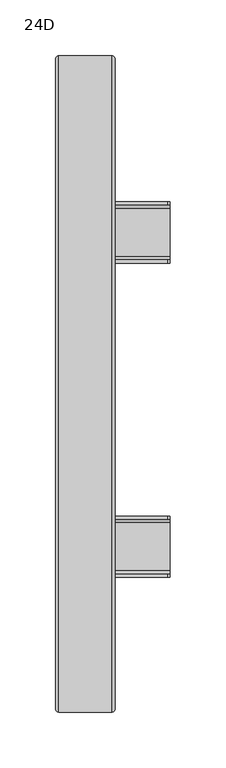
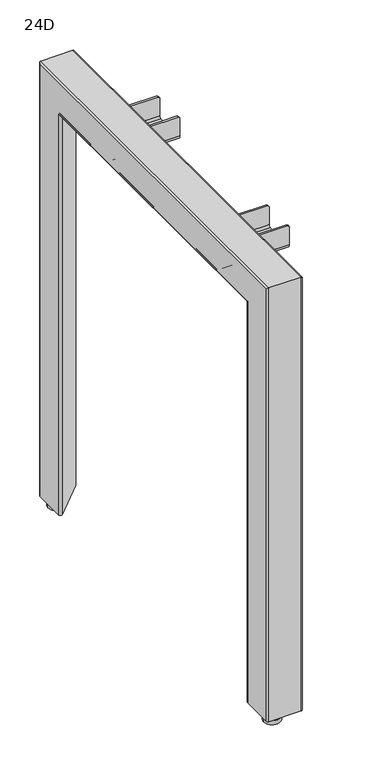
"""IFC4 building model written with IfcOpenShell, lengths in millimetres: furniture geometry, 24D."""

from ifc_helpers import new_model, si_unit, point, frame, frame_2d, origin, origin_with_axes, place, context, project, spatial, polyline, circle_curve, ellipse_curve, trimmed, segment, composite_curve, outline, extrude, source, transform, mapped, element, save
from ifc_brep_helpers import plane_surface, cylinder_surface, revolved_surface, advanced_brep


def furniture_24d_1ff21c70(model_context):
    return source(origin(), model_context, "Body", "SolidModel", [
        advanced_brep(
        [(76.0, 112.0202, 652.1138945), (76.0, 118.0202, 646.1138945), (76.0, 161.0202, 646.1138945), (76.0, 167.0202, 652.1138945), (76.0, 167.0202, 680.3638945), (76.0, 164.0202, 680.3638945), (76.0, 164.0202, 652.1138945), (76.0, 161.0202, 649.1138945), (76.0, 118.0202, 649.1138945), (76.0, 115.0202, 652.1138945), (76.0, 115.0202, 680.3638945), (76.0, 112.0202, 680.3638945), (-21.8908117, 115.0202, 690.1138945), (-21.8908117, 115.0202, 652.1138945), (-21.8908117, 118.0202, 649.1138945), (-21.8908117, 161.0202, 649.1138945), (-21.8908117, 164.0202, 652.1138945), (-21.8908117, 164.0202, 690.1138945), (-21.8908117, 167.0202, 690.1138945), (-21.8908117, 167.0202, 652.1138945), (-21.8908117, 161.0202, 646.1138945), (-21.8908117, 118.0202, 646.1138945), (-21.8908117, 112.0202, 652.1138945), (-21.8908117, 112.0202, 690.1138945), (24.5, 112.0202, 690.1138945), (24.5, 115.0202, 690.1138945), (74.0, 112.0202, 682.3638945), (26.5, 112.0202, 682.3638945), (26.5, 112.0202, 688.1138945), (24.5, 167.0202, 690.1138945), (26.5, 167.0202, 688.1138945), (26.5, 167.0202, 682.3638945), (74.0, 167.0202, 682.3638945), (24.5, 164.0202, 690.1138945), (74.0, 164.0202, 682.3638945), (26.5, 164.0202, 682.3638945), (26.5, 164.0202, 688.1138945), (26.5, 115.0202, 688.1138945), (26.5, 115.0202, 682.3638945), (74.0, 115.0202, 682.3638945)],
        [
            (0, 1, circle_curve(frame((76.0, 118.0202, 652.1138945), z_axis=(1.0, 0.0, 0.0), x_axis=(0.0, 1.0, 0.0)), 6.0)),
            (1, 2),
            (2, 3, circle_curve(frame((76.0, 161.0202, 652.1138945), z_axis=(1.0, 0.0, 0.0), x_axis=(0.0, 1.0, 0.0)), 6.0)),
            (3, 4),
            (4, 5),
            (5, 6),
            (6, 7, circle_curve(frame((76.0, 161.0202, 652.1138945), z_axis=(-1.0, 0.0, 0.0), x_axis=(0.0, 1.0, 0.0)), 3.0)),
            (7, 8),
            (8, 9, circle_curve(frame((76.0, 118.0202, 652.1138945), z_axis=(-1.0, 0.0, 0.0), x_axis=(0.0, 1.0, 0.0)), 3.0)),
            (9, 10),
            (10, 11),
            (11, 0),
            (12, 13),
            (13, 14, circle_curve(frame((-21.8908117, 118.0202, 652.1138945), z_axis=(1.0, 0.0, 0.0), x_axis=(0.0, 1.0, 0.0)), 3.0)),
            (14, 15),
            (15, 16, circle_curve(frame((-21.8908117, 161.0202, 652.1138945), z_axis=(1.0, 0.0, 0.0), x_axis=(0.0, 1.0, 0.0)), 3.0)),
            (16, 17),
            (17, 18),
            (18, 19),
            (19, 20, circle_curve(frame((-21.8908117, 161.0202, 652.1138945), z_axis=(-1.0, 0.0, 0.0), x_axis=(0.0, 1.0, 0.0)), 6.0)),
            (20, 21),
            (21, 22, circle_curve(frame((-21.8908117, 118.0202, 652.1138945), z_axis=(-1.0, 0.0, 0.0), x_axis=(0.0, 1.0, 0.0)), 6.0)),
            (22, 23),
            (23, 12),
            (23, 24),
            (24, 25),
            (25, 12),
            (22, 0),
            (11, 26),
            (26, 27),
            (27, 28),
            (28, 24),
            (21, 1),
            (20, 2),
            (19, 3),
            (18, 29),
            (29, 30),
            (30, 31),
            (31, 32),
            (32, 4),
            (17, 33),
            (33, 29),
            (16, 6),
            (5, 34),
            (34, 35),
            (35, 36),
            (36, 33),
            (15, 7),
            (14, 8),
            (13, 9),
            (25, 37),
            (37, 38),
            (38, 39),
            (39, 10),
            (32, 34),
            (39, 26),
            (36, 30),
            (28, 37),
            (35, 31),
            (27, 38),
        ],
        [
            plane_surface(frame((76.0, 112.0202, 690.1138945), z_axis=(1.0, 0.0, 0.0), x_axis=(0.0, -1.0, 0.0))),
            plane_surface(frame((-21.8908117, 112.0202, 690.1138945), z_axis=(-1.0, 0.0, 0.0), x_axis=(0.0, 1.0, 0.0))),
            plane_surface(frame((76.0, 115.0202, 690.1138945), z_axis=(0.0, 0.0, 1.0), x_axis=(-1.0, 0.0, 0.0))),
            plane_surface(frame((76.0, 112.0202, 690.1138945), z_axis=(0.0, -1.0, 0.0), x_axis=(-1.0, 0.0, 0.0))),
            cylinder_surface(frame((-21.8908117, 118.0202, 652.1138945), z_axis=(1.0, 0.0, 0.0), x_axis=(0.0, 1.0, 0.0)), 6.0),
            plane_surface(frame((76.0, 118.0202, 646.1138945), z_axis=(0.0, 0.0, -1.0), x_axis=(-1.0, 0.0, 0.0))),
            cylinder_surface(frame((-21.8908117, 161.0202, 652.1138945), z_axis=(1.0, 0.0, 0.0), x_axis=(0.0, 1.0, 0.0)), 6.0),
            plane_surface(frame((76.0, 167.0202, 652.1138945), z_axis=(0.0, 1.0, 0.0), x_axis=(-1.0, 0.0, 0.0))),
            plane_surface(frame((76.0, 167.0202, 690.1138945), z_axis=(0.0, 0.0, 1.0), x_axis=(-1.0, 0.0, 0.0))),
            plane_surface(frame((76.0, 164.0202, 690.1138945), z_axis=(0.0, -1.0, 0.0), x_axis=(-1.0, 0.0, 0.0))),
            revolved_surface(polyline([(-21.8908117, 164.0202, 652.1138945), (76.0, 164.0202, 652.1138945)]), (-21.8908117, 161.0202, 652.1138945), (-1.0, 0.0, 0.0)),
            plane_surface(frame((76.0, 161.0202, 649.1138945), z_axis=(0.0, 0.0, 1.0), x_axis=(-1.0, 0.0, 0.0))),
            revolved_surface(polyline([(-21.8908117, 121.0202, 652.1138945), (76.0, 121.0202, 652.1138945)]), (-21.8908117, 118.0202, 652.1138945), (-1.0, 0.0, 0.0)),
            plane_surface(frame((76.0, 115.0202, 652.1138945), z_axis=(0.0, 1.0, 0.0), x_axis=(-1.0, 0.0, 0.0))),
            plane_surface(frame((74.0, -169.4716, 682.3638945), z_axis=(0.7071067811865596, 0.0, 0.7071067811865356), x_axis=(0.0, 1.0, 0.0))),
            plane_surface(frame((24.5, -169.4716, 690.1138945), z_axis=(0.7071067811865476, 0.0, 0.7071067811865476), x_axis=(0.0, 1.0, 0.0))),
            plane_surface(frame((26.5, -169.4716, 688.1138945), z_axis=(1.0, 0.0, 0.0), x_axis=(0.0, 1.0, 0.0))),
            plane_surface(frame((26.5, -169.4716, 682.3638945), z_axis=(0.0, 0.0, 1.0), x_axis=(0.0, 1.0, 0.0))),
        ],
        [
            (0, [[1, 2, 3, 4, 5, 6, 7, 8, 9, 10, 11, 12]]),
            (1, [[13, 14, 15, 16, 17, 18, 19, 20, 21, 22, 23, 24]]),
            (2, [[-24, 25, 26, 27]]),
            (3, [[-23, 28, -12, 29, 30, 31, 32, -25]]),
            (4, [[-1, -28, -22, 33]]),
            (5, [[-2, -33, -21, 34]]),
            (6, [[-3, -34, -20, 35]]),
            (7, [[-19, 36, 37, 38, 39, 40, -4, -35]]),
            (8, [[-18, 41, 42, -36]]),
            (9, [[-17, 43, -6, 44, 45, 46, 47, -41]]),
            (10, [[-7, -43, -16, 48]]),
            (11, [[-8, -48, -15, 49]]),
            (12, [[-9, -49, -14, 50]]),
            (13, [[-13, -27, 51, 52, 53, 54, -10, -50]]),
            (14, [[55, -44, -5, -40]]),
            (14, [[56, -29, -11, -54]]),
            (15, [[57, -37, -42, -47]]),
            (15, [[58, -51, -26, -32]]),
            (16, [[-57, -46, 59, -38]]),
            (16, [[-58, -31, 60, -52]]),
            (17, [[-55, -39, -59, -45]]),
            (17, [[-56, -53, -60, -30]]),
        ],
    ),
        extrude(outline(composite_curve([segment(trimmed(circle_curve(frame_2d((-10.0134902, -273.4231961)), 8.2529367), [point((-18.2664269, -273.4231961))], [point((-1.7605535, -273.4231961))], False, "CARTESIAN"), True, "CONTINUOUS"), segment(trimmed(circle_curve(frame_2d((-10.0134902, -273.4231961)), 8.2529367), [point((-1.7605535, -273.4231961))], [point((-18.2664269, -273.4231961))], False, "CARTESIAN"), True, "CONTINUOUS")], self_intersect=False)), frame((0.0, 0.0, 6.5), z_axis=(0.0, 0.0, 1.0), x_axis=(1.0, 0.0, 0.0)), (0.0, 0.0, 1.0), 4.5),
        extrude(outline(composite_curve([segment(trimmed(circle_curve(frame_2d((-10.0157414, -273.4231961)), 12.5869389), [point((-22.6026802, -273.4231961))], [point((2.5711975, -273.4231961))], False, "CARTESIAN"), True, "CONTINUOUS"), segment(trimmed(circle_curve(frame_2d((-10.0157414, -273.4231961)), 12.5869389), [point((2.5711975, -273.4231961))], [point((-22.6026802, -273.4231961))], False, "CARTESIAN"), True, "CONTINUOUS")], self_intersect=False)), origin_with_axes(), (0.0, 0.0, 1.0), 6.5),
        extrude(outline(composite_curve([segment(trimmed(circle_curve(frame_2d((-10.0134902, 281.0227961)), 8.2529367), [point((-18.2664269, 281.0227961))], [point((-1.7605535, 281.0227961))], False, "CARTESIAN"), True, "CONTINUOUS"), segment(trimmed(circle_curve(frame_2d((-10.0134902, 281.0227961)), 8.2529367), [point((-1.7605535, 281.0227961))], [point((-18.2664269, 281.0227961))], False, "CARTESIAN"), True, "CONTINUOUS")], self_intersect=False)), frame((0.0, 0.0, 6.5), z_axis=(0.0, 0.0, 1.0), x_axis=(1.0, 0.0, 0.0)), (0.0, 0.0, 1.0), 4.5),
        extrude(outline(composite_curve([segment(trimmed(circle_curve(frame_2d((-10.0157414, 281.0227961)), 12.5869389), [point((-22.6026802, 281.0227961))], [point((2.5711975, 281.0227961))], False, "CARTESIAN"), True, "CONTINUOUS"), segment(trimmed(circle_curve(frame_2d((-10.0157414, 281.0227961)), 12.5869389), [point((2.5711975, 281.0227961))], [point((-22.6026802, 281.0227961))], False, "CARTESIAN"), True, "CONTINUOUS")], self_intersect=False)), origin_with_axes(), (0.0, 0.0, 1.0), 6.5),
        advanced_brep(
        [(76.0, -117.4716, 652.1138945), (76.0, -120.4716, 649.1138945), (76.0, -163.4716, 649.1138945), (76.0, -166.4716, 652.1138945), (76.0, -166.4716, 680.3638945), (76.0, -169.4716, 680.3638945), (76.0, -169.4716, 652.1138945), (76.0, -163.4716, 646.1138945), (76.0, -120.4716, 646.1138945), (76.0, -114.4716, 652.1138945), (76.0, -114.4716, 680.3638945), (76.0, -117.4716, 680.3638945), (-21.8908117, -117.4716, 690.1138945), (-21.8908117, -114.4716, 690.1138945), (-21.8908117, -114.4716, 652.1138945), (-21.8908117, -120.4716, 646.1138945), (-21.8908117, -163.4716, 646.1138945), (-21.8908117, -169.4716, 652.1138945), (-21.8908117, -169.4716, 690.1138945), (-21.8908117, -166.4716, 690.1138945), (-21.8908117, -166.4716, 652.1138945), (-21.8908117, -163.4716, 649.1138945), (-21.8908117, -120.4716, 649.1138945), (-21.8908117, -117.4716, 652.1138945), (24.5, -117.4716, 690.1138945), (24.5, -114.4716, 690.1138945), (26.5, -114.4716, 688.1138945), (26.5, -114.4716, 682.3638945), (74.0, -114.4716, 682.3638945), (74.0, -169.4716, 682.3638945), (26.5, -169.4716, 682.3638945), (26.5, -169.4716, 688.1138945), (24.5, -169.4716, 690.1138945), (24.5, -166.4716, 690.1138945), (26.5, -166.4716, 688.1138945), (26.5, -166.4716, 682.3638945), (74.0, -166.4716, 682.3638945), (74.0, -117.4716, 682.3638945), (26.5, -117.4716, 682.3638945), (26.5, -117.4716, 688.1138945)],
        [
            (0, 1, circle_curve(frame((76.0, -120.4716, 652.1138945), z_axis=(-1.0, 0.0, 0.0), x_axis=(0.0, -1.0, 0.0)), 3.0)),
            (1, 2),
            (2, 3, circle_curve(frame((76.0, -163.4716, 652.1138945), z_axis=(-1.0, 0.0, 0.0), x_axis=(0.0, -1.0, 0.0)), 3.0)),
            (3, 4),
            (4, 5),
            (5, 6),
            (6, 7, circle_curve(frame((76.0, -163.4716, 652.1138945), z_axis=(1.0, 0.0, 0.0), x_axis=(0.0, -1.0, 0.0)), 6.0)),
            (7, 8),
            (8, 9, circle_curve(frame((76.0, -120.4716, 652.1138945), z_axis=(1.0, 0.0, 0.0), x_axis=(0.0, -1.0, 0.0)), 6.0)),
            (9, 10),
            (10, 11),
            (11, 0),
            (12, 13),
            (13, 14),
            (14, 15, circle_curve(frame((-21.8908117, -120.4716, 652.1138945), z_axis=(-1.0, 0.0, 0.0), x_axis=(0.0, -1.0, 0.0)), 6.0)),
            (15, 16),
            (16, 17, circle_curve(frame((-21.8908117, -163.4716, 652.1138945), z_axis=(-1.0, 0.0, 0.0), x_axis=(0.0, -1.0, 0.0)), 6.0)),
            (17, 18),
            (18, 19),
            (19, 20),
            (20, 21, circle_curve(frame((-21.8908117, -163.4716, 652.1138945), z_axis=(1.0, 0.0, 0.0), x_axis=(0.0, -1.0, 0.0)), 3.0)),
            (21, 22),
            (22, 23, circle_curve(frame((-21.8908117, -120.4716, 652.1138945), z_axis=(1.0, 0.0, 0.0), x_axis=(0.0, -1.0, 0.0)), 3.0)),
            (23, 12),
            (12, 24),
            (24, 25),
            (25, 13),
            (25, 26),
            (26, 27),
            (27, 28),
            (28, 10),
            (9, 14),
            (8, 15),
            (7, 16),
            (6, 17),
            (5, 29),
            (29, 30),
            (30, 31),
            (31, 32),
            (32, 18),
            (32, 33),
            (33, 19),
            (33, 34),
            (34, 35),
            (35, 36),
            (36, 4),
            (3, 20),
            (2, 21),
            (1, 22),
            (0, 23),
            (11, 37),
            (37, 38),
            (38, 39),
            (39, 24),
            (36, 29),
            (28, 37),
            (31, 34),
            (39, 26),
            (30, 35),
            (38, 27),
        ],
        [
            plane_surface(frame((76.0, -117.4716, 690.1138945), z_axis=(1.0, 0.0, 0.0), x_axis=(0.0, 0.0, -1.0))),
            plane_surface(frame((-21.8908117, -117.4716, 690.1138945), z_axis=(-1.0, 0.0, 0.0), x_axis=(0.0, 0.0, 1.0))),
            plane_surface(frame((76.0, -114.4716, 690.1138945), z_axis=(0.0, 0.0, 1.0), x_axis=(-1.0, 0.0, 0.0))),
            plane_surface(frame((76.0, -114.4716, 652.1138945), z_axis=(0.0, 1.0, 0.0), x_axis=(-1.0, 0.0, 0.0))),
            cylinder_surface(frame((-21.8908117, -120.4716, 652.1138945), z_axis=(1.0, 0.0, 0.0), x_axis=(0.0, -1.0, 0.0)), 6.0),
            plane_surface(frame((76.0, -163.4716, 646.1138945), z_axis=(0.0, 0.0, -1.0), x_axis=(-1.0, 0.0, 0.0))),
            cylinder_surface(frame((-21.8908117, -163.4716, 652.1138945), z_axis=(1.0, 0.0, 0.0), x_axis=(0.0, -1.0, 0.0)), 6.0),
            plane_surface(frame((76.0, -169.4716, 690.1138945), z_axis=(0.0, -1.0, 0.0), x_axis=(-1.0, 0.0, 0.0))),
            plane_surface(frame((76.0, -166.4716, 690.1138945), z_axis=(0.0, 0.0, 1.0), x_axis=(-1.0, 0.0, 0.0))),
            plane_surface(frame((76.0, -166.4716, 652.1138945), z_axis=(0.0, 1.0, 0.0), x_axis=(-1.0, 0.0, 0.0))),
            revolved_surface(polyline([(-21.8908117, -166.4716, 652.1138945), (76.0, -166.4716, 652.1138945)]), (-21.8908117, -163.4716, 652.1138945), (-1.0, 0.0, 0.0)),
            plane_surface(frame((76.0, -120.4716, 649.1138945), z_axis=(0.0, 0.0, 1.0), x_axis=(-1.0, 0.0, 0.0))),
            revolved_surface(polyline([(-21.8908117, -123.4716, 652.1138945), (76.0, -123.4716, 652.1138945)]), (-21.8908117, -120.4716, 652.1138945), (-1.0, 0.0, 0.0)),
            plane_surface(frame((76.0, -117.4716, 690.1138945), z_axis=(0.0, -1.0, 0.0), x_axis=(-1.0, 0.0, 0.0))),
            plane_surface(frame((74.0, -169.4716, 682.3638945), z_axis=(0.7071067811865596, 0.0, 0.7071067811865356), x_axis=(0.0, 1.0, 0.0))),
            plane_surface(frame((24.5, -169.4716, 690.1138945), z_axis=(0.7071067811865476, 0.0, 0.7071067811865476), x_axis=(0.0, 1.0, 0.0))),
            plane_surface(frame((26.5, -169.4716, 688.1138945), z_axis=(1.0, 0.0, 0.0), x_axis=(0.0, 1.0, 0.0))),
            plane_surface(frame((26.5, -169.4716, 682.3638945), z_axis=(0.0, 0.0, 1.0), x_axis=(0.0, 1.0, 0.0))),
        ],
        [
            (0, [[1, 2, 3, 4, 5, 6, 7, 8, 9, 10, 11, 12]]),
            (1, [[13, 14, 15, 16, 17, 18, 19, 20, 21, 22, 23, 24]]),
            (2, [[-13, 25, 26, 27]]),
            (3, [[-14, -27, 28, 29, 30, 31, -10, 32]]),
            (4, [[-9, 33, -15, -32]]),
            (5, [[-8, 34, -16, -33]]),
            (6, [[-7, 35, -17, -34]]),
            (7, [[-18, -35, -6, 36, 37, 38, 39, 40]]),
            (8, [[-19, -40, 41, 42]]),
            (9, [[-20, -42, 43, 44, 45, 46, -4, 47]]),
            (10, [[-3, 48, -21, -47]]),
            (11, [[-2, 49, -22, -48]]),
            (12, [[-1, 50, -23, -49]]),
            (13, [[-24, -50, -12, 51, 52, 53, 54, -25]]),
            (14, [[55, -36, -5, -46]]),
            (14, [[56, -51, -11, -31]]),
            (15, [[57, -43, -41, -39]]),
            (15, [[58, -28, -26, -54]]),
            (16, [[-57, -38, 59, -44]]),
            (16, [[-58, -53, 60, -29]]),
            (17, [[-55, -45, -59, -37]]),
            (17, [[-56, -30, -60, -52]]),
        ],
    ),
        advanced_brep(
        [(-26.5, -239.5734518, 11.0), (-21.926821, -237.679179, 11.0), (25.721221, -285.327221, 11.0), (23.8269482, -289.9004, 11.0), (-23.8210938, -289.9004, 11.0), (-26.5, -287.2214938, 11.0), (-24.515625, -239.5734518, 11.0), (-24.515625, -287.2214938, 11.0), (-23.8210938, -287.916025, 11.0), (23.8269482, -287.916025, 11.0), (24.318056, -286.730386, 11.0), (-23.329986, -239.082344, 11.0), (-26.5, -239.5734518, 641.8230518), (-21.926821, -237.679179, 639.928779), (25.721221, -285.327221, 687.576821), (23.8269482, -289.9004, 692.15), (-23.8210938, -289.9004, 692.15), (-26.5, -287.2214938, 689.4710937), (-26.5, 294.8210937, 689.4710937), (-26.5, 294.8210937, 11.0), (-26.5, 247.1730518, 11.0), (-26.5, 247.1730518, 641.8230518), (-24.515625, -239.5734518, 641.8230518), (-24.515625, 247.1730518, 641.8230518), (-24.515625, 247.1730518, 11.0), (-24.515625, 294.8210937, 11.0), (-24.515625, 294.8210937, 689.4710937), (-24.515625, -287.2214938, 689.4710937), (-23.8210938, -287.916025, 690.165625), (23.8269482, -287.916025, 690.165625), (24.318056, -286.730386, 688.979986), (-23.329986, -239.082344, 641.331944), (-21.926821, 245.278779, 639.928779), (25.721221, 292.926821, 687.576821), (25.721221, 167.2702, 687.576821), (-13.9672583, 167.2702, 647.8883417), (-15.9118019, 166.5333397, 645.9437981), (-17.3353067, 164.5202, 644.5202933), (-17.8563456, 161.7702, 643.9992544), (-17.8563456, 117.2702, 643.9992544), (-17.3353067, 114.5202, 644.5202933), (-15.9118019, 112.5070603, 645.9437981), (-13.9672583, 111.7702, 647.8883417), (25.721221, 111.7702, 687.576821), (25.721221, -114.2216, 687.576821), (-13.9672583, -114.2216, 647.8883417), (-15.9118019, -114.9584603, 645.9437981), (-17.3353067, -116.9716, 644.5202933), (-17.8563456, -119.7216, 643.9992544), (-17.8563456, -164.2216, 643.9992544), (-17.3353067, -166.9716, 644.5202933), (-15.9118019, -168.9847397, 645.9437981), (-13.9672583, -169.7216, 647.8883417), (25.721221, -169.7216, 687.576821), (26.4615873, -169.7216, 689.9560841), (26.4615873, -114.2216, 689.9560841), (26.4680571, 111.7702, 689.9195159), (26.4680571, 167.2702, 689.9195159), (23.8269482, 297.5, 692.15), (-23.8210938, 297.5, 692.15), (-23.8210938, 295.515625, 690.165625), (23.8269482, 295.515625, 690.165625), (24.318056, 294.329986, 688.979986), (24.318056, 167.2702, 688.979986), (24.3573171, 167.2702, 689.9195159), (24.3573171, 111.7702, 689.9195159), (24.318056, 111.7702, 688.979986), (24.318056, -114.2216, 688.979986), (24.3240981, -114.2216, 689.9560841), (24.3240981, -169.7216, 689.9560841), (24.318056, -169.7216, 688.979986), (-16.7735883, -169.7216, 647.8883417), (-18.718132, -168.9847397, 645.9437981), (-20.1416367, -166.9716, 644.5202933), (-20.6626756, -164.2216, 643.9992544), (-20.6626756, -119.7216, 643.9992544), (-20.1416367, -116.9716, 644.5202933), (-18.718132, -114.9584603, 645.9437981), (-16.7735883, -114.2216, 647.8883417), (-16.7735883, 111.7702, 647.8883417), (-18.718132, 112.5070603, 645.9437981), (-20.1416367, 114.5202, 644.5202933), (-20.6626756, 117.2702, 643.9992544), (-20.6626756, 161.7702, 643.9992544), (-20.1416367, 164.5202, 644.5202933), (-18.718132, 166.5333397, 645.9437981), (-16.7735883, 167.2702, 647.8883417), (-23.329986, 246.681944, 641.331944), (-23.8210938, 297.5, 11.0), (23.8269482, 297.5, 11.0), (25.721221, 292.926821, 11.0), (-21.926821, 245.278779, 11.0), (-23.329986, 246.681944, 11.0), (24.318056, 294.329986, 11.0), (23.8269482, 295.515625, 11.0), (-23.8210938, 295.515625, 11.0)],
        [
            (0, 1, circle_curve(frame((-23.8210938, -239.5734518, 11.0), z_axis=(0.0, 0.0, -1.0), x_axis=(0.0, 1.0, 0.0)), 2.6789063)),
            (1, 2),
            (2, 3, circle_curve(frame((23.8269482, -287.2214938, 11.0), z_axis=(0.0, 0.0, -1.0), x_axis=(0.0, 1.0, 0.0)), 2.6789063)),
            (3, 4),
            (4, 5, circle_curve(frame((-23.8210938, -287.2214938, 11.0), z_axis=(0.0, 0.0, -1.0), x_axis=(0.0, 1.0, 0.0)), 2.6789063)),
            (5, 0),
            (6, 7),
            (7, 8, circle_curve(frame((-23.8210938, -287.2214938, 11.0), z_axis=(0.0, 0.0, 1.0), x_axis=(0.0, 1.0, 0.0)), 0.6945312)),
            (8, 9),
            (9, 10, circle_curve(frame((23.8269482, -287.2214938, 11.0), z_axis=(0.0, 0.0, 1.0), x_axis=(0.0, 1.0, 0.0)), 0.6945313)),
            (10, 11),
            (11, 6, circle_curve(frame((-23.8210938, -239.5734518, 11.0), z_axis=(0.0, 0.0, 1.0), x_axis=(0.0, 1.0, 0.0)), 0.6945313)),
            (0, 12),
            (12, 13, ellipse_curve(frame((-23.8210938, -239.5734518, 641.8230518), z_axis=(0.0, -0.7071067811865475, -0.7071067811865475), x_axis=(0.0, 0.7071067811865474, -0.7071067811865476)), 3.7885456, 2.6789063)),
            (13, 1),
            (13, 14),
            (14, 2),
            (14, 15, ellipse_curve(frame((23.8269482, -287.2214938, 689.4710937), z_axis=(0.0, -0.7071067811865475, -0.7071067811865475), x_axis=(0.0, 0.7071067811865474, -0.7071067811865476)), 3.7885456, 2.6789063)),
            (15, 3),
            (15, 16),
            (16, 4),
            (16, 17, ellipse_curve(frame((-23.8210938, -287.2214938, 689.4710937), z_axis=(0.0, -0.7071067811865475, -0.7071067811865475), x_axis=(0.0, 0.7071067811865474, -0.7071067811865476)), 3.7885456, 2.6789063)),
            (17, 5),
            (17, 18),
            (18, 19),
            (19, 20),
            (20, 21),
            (21, 12),
            (6, 22),
            (22, 23),
            (23, 24),
            (24, 25),
            (25, 26),
            (26, 27),
            (27, 7),
            (27, 28, ellipse_curve(frame((-23.8210938, -287.2214938, 689.4710937), z_axis=(0.0, 0.7071067811865475, 0.7071067811865475), x_axis=(0.0, -0.7071067811865474, 0.7071067811865476)), 0.9822155, 0.6945312)),
            (28, 8),
            (28, 29),
            (29, 9),
            (29, 30, ellipse_curve(frame((23.8269482, -287.2214938, 689.4710937), z_axis=(0.0, 0.7071067811865475, 0.7071067811865475), x_axis=(0.0, -0.7071067811865474, 0.7071067811865476)), 0.9822155, 0.6945312)),
            (30, 10),
            (30, 31),
            (31, 11),
            (31, 22, ellipse_curve(frame((-23.8210938, -239.5734518, 641.8230518), z_axis=(0.0, 0.7071067811865475, 0.7071067811865475), x_axis=(0.0, -0.7071067811865474, 0.7071067811865476)), 0.9822155, 0.6945312)),
            (21, 32, ellipse_curve(frame((-23.8210938, 247.1730518, 641.8230518), z_axis=(0.0, -0.7071067811865475, 0.7071067811865475), x_axis=(0.0, -0.7071067811865476, -0.7071067811865474)), 3.7885456, 2.6789063)),
            (32, 13),
            (32, 33),
            (33, 34),
            (34, 35),
            (35, 36),
            (36, 37),
            (37, 38),
            (38, 39),
            (39, 40),
            (40, 41),
            (41, 42),
            (42, 43),
            (43, 44),
            (44, 45),
            (45, 46),
            (46, 47),
            (47, 48),
            (48, 49),
            (49, 50),
            (50, 51),
            (51, 52),
            (52, 53),
            (53, 14),
            (53, 54, circle_curve(frame((23.8269482, -169.7216, 689.4710937), z_axis=(0.0, -1.0, 0.0), x_axis=(0.0, 0.0, -1.0)), 2.6789063)),
            (54, 55),
            (55, 44, circle_curve(frame((23.8269482, -114.2216, 689.4710937), z_axis=(0.0, 1.0, 0.0), x_axis=(0.0, 0.0, -1.0)), 2.6789062)),
            (43, 56, circle_curve(frame((23.8269482, 111.7702, 689.4710937), z_axis=(0.0, -1.0, 0.0), x_axis=(0.0, 0.0, -1.0)), 2.6789063)),
            (56, 57),
            (57, 34, circle_curve(frame((23.8269482, 167.2702, 689.4710937), z_axis=(0.0, 1.0, 0.0), x_axis=(0.0, 0.0, -1.0)), 2.6789063)),
            (33, 58, ellipse_curve(frame((23.8269482, 294.8210937, 689.4710937), z_axis=(0.0, -0.7071067811865475, 0.7071067811865475), x_axis=(0.0, -0.7071067811865476, -0.7071067811865474)), 3.7885456, 2.6789063)),
            (58, 15),
            (58, 59),
            (59, 16),
            (59, 18, ellipse_curve(frame((-23.8210938, 294.8210937, 689.4710937), z_axis=(0.0, -0.7071067811865475, 0.7071067811865475), x_axis=(0.0, -0.7071067811865476, -0.7071067811865474)), 3.7885456, 2.6789063)),
            (26, 60, ellipse_curve(frame((-23.8210938, 294.8210937, 689.4710937), z_axis=(0.0, 0.7071067811865475, -0.7071067811865475), x_axis=(0.0, 0.7071067811865476, 0.7071067811865474)), 0.9822155, 0.6945312)),
            (60, 28),
            (60, 61),
            (61, 29),
            (61, 62, ellipse_curve(frame((23.8269482, 294.8210937, 689.4710937), z_axis=(0.0, 0.7071067811865475, -0.7071067811865475), x_axis=(0.0, 0.7071067811865476, 0.7071067811865474)), 0.9822155, 0.6945312)),
            (62, 63),
            (63, 64, circle_curve(frame((23.8269482, 167.2702, 689.4710937), z_axis=(0.0, -1.0, 0.0), x_axis=(0.0, 0.0, -1.0)), 0.6945313)),
            (64, 65),
            (65, 66, circle_curve(frame((23.8269482, 111.7702, 689.4710937), z_axis=(0.0, 1.0, 0.0), x_axis=(0.0, 0.0, -1.0)), 0.6945312)),
            (66, 67),
            (67, 68, circle_curve(frame((23.8269482, -114.2216, 689.4710937), z_axis=(0.0, -1.0, 0.0), x_axis=(0.0, 0.0, -1.0)), 0.6945313)),
            (68, 69),
            (69, 70, circle_curve(frame((23.8269482, -169.7216, 689.4710937), z_axis=(0.0, 1.0, 0.0), x_axis=(0.0, 0.0, -1.0)), 0.6945313)),
            (70, 30),
            (70, 71),
            (71, 72),
            (72, 73),
            (73, 74),
            (74, 75),
            (75, 76),
            (76, 77),
            (77, 78),
            (78, 67),
            (66, 79),
            (79, 80),
            (80, 81),
            (81, 82),
            (82, 83),
            (83, 84),
            (84, 85),
            (85, 86),
            (86, 63),
            (62, 87),
            (87, 31),
            (87, 23, ellipse_curve(frame((-23.8210938, 247.1730518, 641.8230518), z_axis=(0.0, 0.7071067811865475, -0.7071067811865475), x_axis=(0.0, 0.7071067811865476, 0.7071067811865474)), 0.9822155, 0.6945312)),
            (19, 88, circle_curve(frame((-23.8210938, 294.8210937, 11.0), z_axis=(0.0, 0.0, -1.0), x_axis=(0.0, -1.0, 0.0)), 2.6789063)),
            (88, 89),
            (89, 90, circle_curve(frame((23.8269482, 294.8210937, 11.0), z_axis=(0.0, 0.0, -1.0), x_axis=(0.0, -1.0, 0.0)), 2.6789063)),
            (90, 91),
            (91, 20, circle_curve(frame((-23.8210938, 247.1730518, 11.0), z_axis=(0.0, 0.0, -1.0), x_axis=(0.0, -1.0, 0.0)), 2.6789062)),
            (24, 92, circle_curve(frame((-23.8210938, 247.1730518, 11.0), z_axis=(0.0, 0.0, 1.0), x_axis=(0.0, -1.0, 0.0)), 0.6945312)),
            (92, 93),
            (93, 94, circle_curve(frame((23.8269482, 294.8210937, 11.0), z_axis=(0.0, 0.0, 1.0), x_axis=(0.0, -1.0, 0.0)), 0.6945312)),
            (94, 95),
            (95, 25, circle_curve(frame((-23.8210938, 294.8210937, 11.0), z_axis=(0.0, 0.0, 1.0), x_axis=(0.0, -1.0, 0.0)), 0.6945313)),
            (91, 32),
            (90, 33),
            (89, 58),
            (88, 59),
            (95, 60),
            (94, 61),
            (93, 62),
            (92, 87),
            (71, 52),
            (51, 72),
            (50, 73),
            (49, 74),
            (48, 75),
            (47, 76),
            (46, 77),
            (45, 78),
            (55, 68),
            (54, 69),
            (85, 36),
            (35, 86),
            (84, 37),
            (83, 38),
            (82, 39),
            (81, 40),
            (80, 41),
            (79, 42),
            (65, 56),
            (64, 57),
        ],
        [
            plane_surface(frame((0.0, -289.9004, 11.0), z_axis=(0.0, 0.0, -1.0), x_axis=(1.0, 0.0, 0.0))),
            cylinder_surface(frame((-23.8210938, -239.5734518, 11.0), z_axis=(0.0, 0.0, -1.0), x_axis=(0.0, 1.0, 0.0)), 2.6789063),
            plane_surface(frame((-21.926821, -237.679179, 11.0), z_axis=(0.7071067811865482, 0.7071067811865469, 0.0), x_axis=(0.0, 0.0, 1.0))),
            cylinder_surface(frame((23.8269482, -287.2214938, 11.0), z_axis=(0.0, 0.0, -1.0), x_axis=(0.0, 1.0, 0.0)), 2.6789063),
            plane_surface(frame((23.8269482, -289.9004, 11.0), z_axis=(0.0, -1.0, 0.0), x_axis=(0.0, 0.0, 1.0))),
            cylinder_surface(frame((-23.8210938, -287.2214938, 11.0), z_axis=(0.0, 0.0, -1.0), x_axis=(0.0, 1.0, 0.0)), 2.6789063),
            plane_surface(frame((-26.5, -287.2214938, 11.0), z_axis=(-1.0, 0.0, 0.0), x_axis=(0.0, 0.0, 1.0))),
            plane_surface(frame((-24.515625, -239.5734518, 11.0), z_axis=(1.0, 0.0, 0.0), x_axis=(0.0, 0.0, 1.0))),
            revolved_surface(polyline([(-23.8210938, -286.52696260000005, 690.165625), (-23.8210938, -286.52696260000005, 11.0)]), (-23.8210938, -287.2214938, 11.0), (0.0, 0.0, 1.0)),
            plane_surface(frame((-23.8210938, -287.916025, 11.0), z_axis=(0.0, 1.0, 0.0), x_axis=(0.0, 0.0, 1.0))),
            revolved_surface(polyline([(23.8269482, -286.52696260000005, 690.165625), (23.8269482, -286.52696260000005, 11.0)]), (23.8269482, -287.2214938, 11.0), (0.0, 0.0, 1.0)),
            plane_surface(frame((24.318056, -286.730386, 11.0), z_axis=(-0.7071067811865481, -0.7071067811865469, 0.0), x_axis=(0.0, 0.0, 1.0))),
            revolved_surface(polyline([(-23.8210938, -238.8789206, 642.5175830406365), (-23.8210938, -238.8789206, 11.0)]), (-23.8210938, -239.5734518, 11.0), (0.0, 0.0, 1.0)),
            cylinder_surface(frame((-23.8210938, -289.9004, 641.8230518), z_axis=(0.0, -1.0, 0.0), x_axis=(0.0, 0.0, -1.0)), 2.6789063),
            plane_surface(frame((-21.926821, -237.679179, 639.928779), z_axis=(0.707106781186541, 0.0, -0.7071067811865541), x_axis=(0.0, 1.0, 0.0))),
            cylinder_surface(frame((23.8269482, -289.9004, 689.4710937), z_axis=(0.0, -1.0, 0.0), x_axis=(0.0, 0.0, -1.0)), 2.6789063),
            plane_surface(frame((23.8269482, -289.9004, 692.15), z_axis=(0.0, 0.0, 1.0), x_axis=(0.0, 1.0, 0.0))),
            cylinder_surface(frame((-23.8210938, -289.9004, 689.4710937), z_axis=(0.0, -1.0, 0.0), x_axis=(0.0, 0.0, -1.0)), 2.6789063),
            revolved_surface(polyline([(-23.8210938, 295.515625, 688.7765625), (-23.8210938, -287.91602504063655, 688.7765625)]), (-23.8210938, -289.9004, 689.4710937), (0.0, 1.0, 0.0)),
            plane_surface(frame((-23.8210938, -287.916025, 690.165625), z_axis=(0.0, 0.0, -1.0), x_axis=(0.0, 1.0, 0.0))),
            revolved_surface(polyline([(23.8269482, 295.515625, 688.7765625), (23.8269482, -287.91602504063655, 688.7765625)]), (23.8269482, -289.9004, 689.4710937), (0.0, 1.0, 0.0)),
            plane_surface(frame((24.318056, -286.730386, 688.979986), z_axis=(-0.7071067811865409, 0.0, 0.7071067811865541), x_axis=(0.0, 1.0, 0.0))),
            revolved_surface(polyline([(-23.8210938, 247.86758304063642, 641.1285206), (-23.8210938, -240.26798304063652, 641.1285206)]), (-23.8210938, -289.9004, 641.8230518), (0.0, 1.0, 0.0)),
            plane_surface(frame((0.0, 297.5, 11.0), z_axis=(0.0, 0.0, -1.0), x_axis=(1.0, 0.0, 0.0))),
            cylinder_surface(frame((-23.8210938, 247.1730518, 692.15), z_axis=(0.0, 0.0, 1.0), x_axis=(0.0, -1.0, 0.0)), 2.6789063),
            plane_surface(frame((-21.926821, 245.278779, 639.928779), z_axis=(0.7071067811865482, -0.7071067811865469, 0.0), x_axis=(0.0, 0.0, -1.0))),
            cylinder_surface(frame((23.8269482, 294.8210937, 692.15), z_axis=(0.0, 0.0, 1.0), x_axis=(0.0, -1.0, 0.0)), 2.6789063),
            plane_surface(frame((23.8269482, 297.5, 692.15), z_axis=(0.0, 1.0, 0.0), x_axis=(0.0, 0.0, -1.0))),
            cylinder_surface(frame((-23.8210938, 294.8210937, 692.15), z_axis=(0.0, 0.0, 1.0), x_axis=(0.0, -1.0, 0.0)), 2.6789063),
            revolved_surface(polyline([(-23.8210938, 294.12656250000003, 11.0), (-23.8210938, 294.12656250000003, 690.165625)]), (-23.8210938, 294.8210937, 692.15), (0.0, 0.0, -1.0)),
            plane_surface(frame((-23.8210938, 295.515625, 690.165625), z_axis=(0.0, -1.0, 0.0), x_axis=(0.0, 0.0, -1.0))),
            revolved_surface(polyline([(23.8269482, 294.12656250000003, 11.0), (23.8269482, 294.12656250000003, 690.165625)]), (23.8269482, 294.8210937, 692.15), (0.0, 0.0, -1.0)),
            plane_surface(frame((24.318056, 294.329986, 688.979986), z_axis=(-0.7071067811865481, 0.7071067811865469, 0.0), x_axis=(0.0, 0.0, -1.0))),
            revolved_surface(polyline([(-23.8210938, 246.4785206, 11.0), (-23.8210938, 246.4785206, 642.5175830406365)]), (-23.8210938, 247.1730518, 692.15), (0.0, 0.0, -1.0)),
            plane_surface(frame((33.5689022, -169.7216, 647.8883417), z_axis=(0.0, 0.9351131265316283, 0.3543493200053346), x_axis=(-1.0, 0.0, 0.0))),
            plane_surface(frame((33.5689022, -168.9847397, 645.9437981), z_axis=(0.0, 0.577350269189627, 0.8164965809277253), x_axis=(-1.0, 0.0, 0.0))),
            plane_surface(frame((33.5689022, -166.9716, 644.5202933), z_axis=(0.0, 0.18615678789531837, 0.9825200508490896), x_axis=(-1.0, 0.0, 0.0))),
            plane_surface(frame((33.5689022, -164.2216, 643.9992544), z_axis=(0.0, 0.0, 1.0), x_axis=(-1.0, 0.0, 0.0))),
            plane_surface(frame((33.5689022, -119.7216, 643.9992544), z_axis=(0.0, -0.1861567878975417, 0.9825200508486683), x_axis=(-1.0, 0.0, 0.0))),
            plane_surface(frame((33.5689022, -116.9716, 644.5202933), z_axis=(0.0, -0.5773502691875961, 0.8164965809291613), x_axis=(-1.0, 0.0, 0.0))),
            plane_surface(frame((33.5689022, -114.9584603, 645.9437981), z_axis=(0.0, -0.9351131265307213, 0.3543493200077281), x_axis=(-1.0, 0.0, 0.0))),
            plane_surface(frame((33.5689022, -114.2216, 647.8883417), z_axis=(0.0, -1.0, 0.0), x_axis=(-1.0, 0.0, 0.0))),
            plane_surface(frame((33.5689022, -114.2216, 689.9560841), z_axis=(0.0, 0.0, -1.0), x_axis=(-1.0, 0.0, 0.0))),
            plane_surface(frame((33.5689022, -169.7216, 689.9560841), z_axis=(0.0, 1.0, 0.0), x_axis=(-1.0, 0.0, 0.0))),
            plane_surface(frame((33.5689022, 166.5333397, 645.9437981), z_axis=(0.0, -0.9351131265309751, 0.35434932000705816), x_axis=(-1.0, 0.0, 0.0))),
            plane_surface(frame((33.5689022, 164.5202, 644.5202933), z_axis=(0.0, -0.577350269189627, 0.8164965809277253), x_axis=(-1.0, 0.0, 0.0))),
            plane_surface(frame((33.5689022, 161.7702, 643.9992544), z_axis=(0.0, -0.18615678789531837, 0.9825200508490896), x_axis=(-1.0, 0.0, 0.0))),
            plane_surface(frame((33.5689022, 117.2702, 643.9992544), z_axis=(0.0, 0.0, 1.0), x_axis=(-1.0, 0.0, 0.0))),
            plane_surface(frame((33.5689022, 114.5202, 644.5202933), z_axis=(0.0, 0.18615678789752288, 0.9825200508486719), x_axis=(-1.0, 0.0, 0.0))),
            plane_surface(frame((33.5689022, 112.5070603, 645.9437981), z_axis=(0.0, 0.5773502691875961, 0.8164965809291613), x_axis=(-1.0, 0.0, 0.0))),
            plane_surface(frame((33.5689022, 111.7702, 647.8883417), z_axis=(0.0, 0.935113126531064, 0.3543493200068237), x_axis=(-1.0, 0.0, 0.0))),
            plane_surface(frame((33.5689022, 111.7702, 689.9195159), z_axis=(0.0, 1.0, 0.0), x_axis=(-1.0, 0.0, 0.0))),
            plane_surface(frame((33.5689022, 167.2702, 689.9195159), z_axis=(0.0, 0.0, -1.0), x_axis=(-1.0, 0.0, 0.0))),
            plane_surface(frame((33.5689022, 167.2702, 647.8883417), z_axis=(0.0, -1.0, 0.0), x_axis=(-1.0, 0.0, 0.0))),
        ],
        [
            (0, [[1, 2, 3, 4, 5, 6], [7, 8, 9, 10, 11, 12]]),
            (1, [[-1, 13, 14, 15]]),
            (2, [[-2, -15, 16, 17]]),
            (3, [[-3, -17, 18, 19]]),
            (4, [[-4, -19, 20, 21]]),
            (5, [[-5, -21, 22, 23]]),
            (6, [[-6, -23, 24, 25, 26, 27, 28, -13]]),
            (7, [[-7, 29, 30, 31, 32, 33, 34, 35]]),
            (8, [[-8, -35, 36, 37]]),
            (9, [[-9, -37, 38, 39]]),
            (10, [[-10, -39, 40, 41]]),
            (11, [[-11, -41, 42, 43]]),
            (12, [[-12, -43, 44, -29]]),
            (13, [[-14, -28, 45, 46]]),
            (14, [[-16, -46, 47, 48, 49, 50, 51, 52, 53, 54, 55, 56, 57, 58, 59, 60, 61, 62, 63, 64, 65, 66, 67, 68]]),
            (15, [[-18, -68, 69, 70, 71, -58, 72, 73, 74, -48, 75, 76]]),
            (16, [[-20, -76, 77, 78]]),
            (17, [[-22, -78, 79, -24]]),
            (18, [[-34, 80, 81, -36]]),
            (19, [[-38, -81, 82, 83]]),
            (20, [[-40, -83, 84, 85, 86, 87, 88, 89, 90, 91, 92, 93]]),
            (21, [[-42, -93, 94, 95, 96, 97, 98, 99, 100, 101, 102, -89, 103, 104, 105, 106, 107, 108, 109, 110, 111, -85, 112, 113]]),
            (22, [[-30, -44, -113, 114]]),
            (23, [[-26, 115, 116, 117, 118, 119], [-32, 120, 121, 122, 123, 124]]),
            (24, [[-27, -119, 125, -45]]),
            (25, [[-47, -125, -118, 126]]),
            (26, [[-75, -126, -117, 127]]),
            (27, [[-77, -127, -116, 128]]),
            (28, [[-25, -79, -128, -115]]),
            (29, [[-33, -124, 129, -80]]),
            (30, [[-82, -129, -123, 130]]),
            (31, [[-84, -130, -122, 131]]),
            (32, [[-112, -131, -121, 132]]),
            (33, [[-31, -114, -132, -120]]),
            (34, [[133, -66, 134, -95]]),
            (35, [[-134, -65, 135, -96]]),
            (36, [[-135, -64, 136, -97]]),
            (37, [[-136, -63, 137, -98]]),
            (38, [[-137, -62, 138, -99]]),
            (39, [[-138, -61, 139, -100]]),
            (40, [[-139, -60, 140, -101]]),
            (41, [[-140, -59, -71, 141, -90, -102]]),
            (42, [[-141, -70, 142, -91]]),
            (43, [[-133, -94, -92, -142, -69, -67]]),
            (44, [[143, -50, 144, -110]]),
            (45, [[-143, -109, 145, -51]]),
            (46, [[-145, -108, 146, -52]]),
            (47, [[-146, -107, 147, -53]]),
            (48, [[-147, -106, 148, -54]]),
            (49, [[-148, -105, 149, -55]]),
            (50, [[-149, -104, 150, -56]]),
            (51, [[-150, -103, -88, 151, -72, -57]]),
            (52, [[-151, -87, 152, -73]]),
            (53, [[-152, -86, -111, -144, -49, -74]]),
        ],
    ),
    ])


if __name__ == "__main__":
    model = new_model("IFC4")
    model_context = context("Model", 3, world=origin())
    ifc_project = project(units=[si_unit("LENGTHUNIT", "METRE", prefix="MILLI")], contexts=[model_context])
    site = spatial("IfcSite", under=ifc_project)
    building = spatial("IfcBuilding", under=site)
    placement = place(None, origin())
    furniture_24d_shape = furniture_24d_1ff21c70(model_context)
    element("IfcFurniture", 1, ObjectType="24D", at=placement, inside=building, context=model_context, shape_type="MappedRepresentation", body=[
        mapped(furniture_24d_shape, transform((0.0, 0.0, 0.0), x_axis=(1.0, 0.0, 0.0), y_axis=(0.0, 1.0, 0.0), z_axis=(0.0, 0.0, 1.0))),
    ])
    save(model, "model.ifc")
